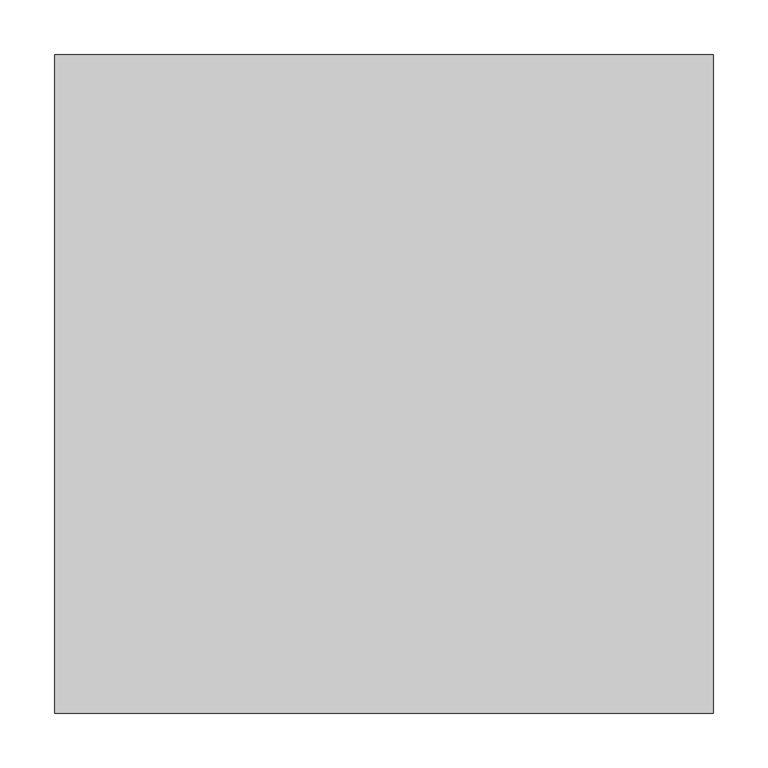
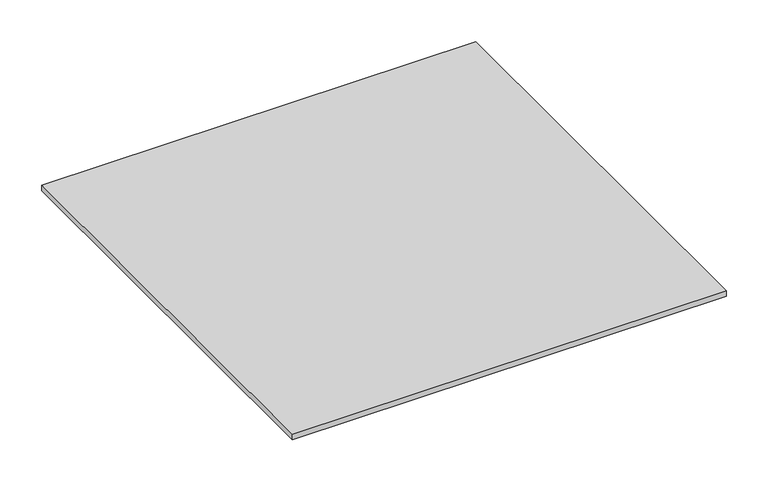
"""IFC4 building model written with IfcOpenShell, lengths in millimetres: proxy geometry."""

from ifc_helpers import new_model, si_unit, origin, origin_with_axes, place, context, project, spatial, polyline, outline, extrude, source, transform, mapped, element, save


def generic_models_679fb5e3(model_context):
    return source(origin(), model_context, "Body", "SweptSolid", [
        extrude(outline(polyline([(-300.0, -300.0), (-300.0, 300.0), (300.0, 300.0), (300.0, -300.0), (-300.0, -300.0)])), origin_with_axes(), (0.0, 0.0, 1.0), 8.0),
    ])


if __name__ == "__main__":
    model = new_model("IFC4")
    model_context = context("Model", 3, world=origin())
    ifc_project = project(units=[si_unit("LENGTHUNIT", "METRE", prefix="MILLI")], contexts=[model_context])
    site = spatial("IfcSite", under=ifc_project)
    building = spatial("IfcBuilding", under=site)
    placement = place(None, origin())
    generic_models_shape = generic_models_679fb5e3(model_context)
    element("IfcBuildingElementProxy", 1, Name="Generic Models", at=placement, inside=building, context=model_context, shape_type="MappedRepresentation", body=[
        mapped(generic_models_shape, transform((0.0, 0.0, 0.0), x_axis=(1.0, 0.0, 0.0), y_axis=(0.0, 1.0, 0.0), z_axis=(0.0, 0.0, 1.0))),
    ])
    save(model, "model.ifc")
